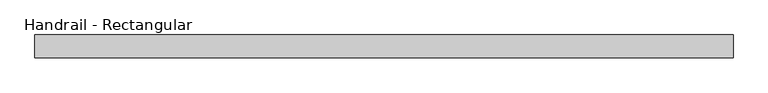
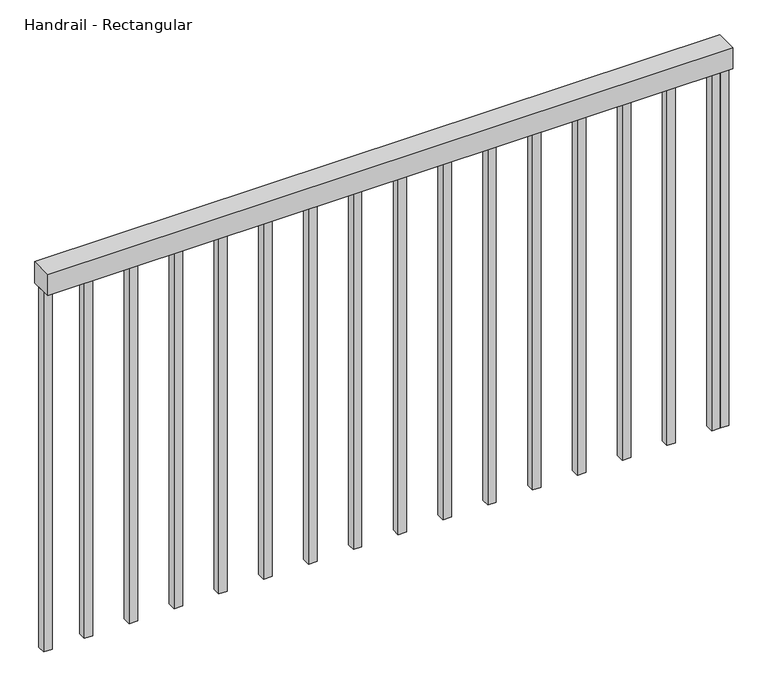
"""IFC4 building model written with IfcOpenShell, lengths in millimetres: railing geometry, Handrail - Rectangular."""

import ifcopenshell
import ifcopenshell.guid

model = None  # the IFC model being written
_history = None  # IfcOwnerHistory: only IFC2X3 demands one
_inside = {}  # id of a spatial element -> (the spatial element, [elements in it])
_under = {}  # id of a project, library or spatial element -> (it, [spatial elements below it])
_declared = {}  # id of a project -> (the project, [libraries it declares])
_typed = {}  # id of a type object -> (the type object, [elements of that type])
_made_of = {}  # id of a material, layer set ... -> (it, [elements and type objects made of it])


def new_model(schema):
    """Start an empty IFC model of exactly this schema.

    Asked for "IFC4X3", IfcOpenShell would pick the latest addendum, in which some entities
    have other attributes; the version numbers below select the first issue.
    IFC2X3 requires an IfcOwnerHistory on every rooted entity: one is made here for all.
    """
    global model, _history
    if schema == "IFC4X3":
        model = ifcopenshell.file(schema_version=(4, 3, 0, 0))
    else:
        model = ifcopenshell.file(schema=schema)
    _inside.clear()
    _under.clear()
    _declared.clear()
    _typed.clear()
    _made_of.clear()
    _history = None
    if model.schema == "IFC2X3":
        org = make("IfcOrganization", Name="unknown")
        user = make(
            "IfcPersonAndOrganization",
            ThePerson=make("IfcPerson", FamilyName="unknown"),
            TheOrganization=org,
        )
        app = make(
            "IfcApplication",
            ApplicationDeveloper=org,
            Version="unknown",
            ApplicationFullName="unknown",
            ApplicationIdentifier="unknown",
        )
        _history = make(
            "IfcOwnerHistory",
            OwningUser=user,
            OwningApplication=app,
            ChangeAction="ADDED",
            CreationDate=0,
        )
    return model


def make(cls, **values):
    """One entity of the class cls with the attributes given. An attribute that is None is left unset."""
    return model.create_entity(
        cls, **{name: value for name, value in values.items() if value is not None}
    )


def rooted(cls, **values):
    """An entity with a GlobalId (a new one), such as an element, a storey or a relation."""
    return make(cls, GlobalId=ifcopenshell.guid.new(), OwnerHistory=_history, **values)


def si_unit(unit_type, name, prefix=None):
    """IfcSIUnit, for example si_unit("LENGTHUNIT", "METRE", prefix="MILLI")."""
    return make("IfcSIUnit", UnitType=unit_type, Prefix=prefix, Name=name)


def assignment(units):
    """IfcUnitAssignment: the units of a project."""
    return None if units is None else make("IfcUnitAssignment", Units=units)


def point(xyz):
    """IfcCartesianPoint."""
    return None if xyz is None else make("IfcCartesianPoint", Coordinates=xyz)


def direction(xyz):
    """IfcDirection."""
    return None if xyz is None else make("IfcDirection", DirectionRatios=xyz)


def frame(location, z_axis=None, x_axis=None):
    """IfcAxis2Placement3D, a coordinate frame: its origin and axes. An axis left out is left unset."""
    return make(
        "IfcAxis2Placement3D",
        Location=point(location),
        Axis=direction(z_axis),
        RefDirection=direction(x_axis),
    )


def origin():
    """The frame at (0, 0, 0) with its axes left unset."""
    return frame((0.0, 0.0, 0.0))


def origin_with_axes():
    """The frame at (0, 0, 0) with the z axis (0, 0, 1) and the x axis (1, 0, 0) written out."""
    return frame((0.0, 0.0, 0.0), z_axis=(0.0, 0.0, 1.0), x_axis=(1.0, 0.0, 0.0))


def place(relative_to, where):
    """IfcLocalPlacement: puts the frame where relative to a parent placement (None: the world)."""
    return make(
        "IfcLocalPlacement", PlacementRelTo=relative_to, RelativePlacement=where
    )


def context(
    kind, dimensions, precision=None, world=None, true_north=None, identifier=None
):
    """IfcGeometricRepresentationContext, for example the 3D "Model" context."""
    return make(
        "IfcGeometricRepresentationContext",
        ContextIdentifier=identifier,
        ContextType=kind,
        CoordinateSpaceDimension=dimensions,
        Precision=precision,
        WorldCoordinateSystem=world,
        TrueNorth=true_north,
    )


def project(units=None, contexts=None):
    """IfcProject with its units and contexts."""
    return rooted(
        "IfcProject",
        Name="project",
        RepresentationContexts=contexts,
        UnitsInContext=assignment(units),
    )


def spatial(cls, under=None, at=None, **own):
    """A site, building, storey or space (cls), placed at a placement, below another one or the project."""
    s = rooted(cls, ObjectPlacement=at, **own)
    if under is not None:
        _under.setdefault(under.id(), (under, []))[1].append(s)
    return s


def polyline(points):
    """IfcPolyline through the points."""
    return make("IfcPolyline", Points=[point(p) for p in points])


def outline(outer, holes=None, kind="AREA"):
    """IfcArbitraryClosedProfileDef: a profile drawn as a closed curve; with holes, ...WithVoids."""
    if holes is None:
        return make("IfcArbitraryClosedProfileDef", ProfileType=kind, OuterCurve=outer)
    return make(
        "IfcArbitraryProfileDefWithVoids",
        ProfileType=kind,
        OuterCurve=outer,
        InnerCurves=holes,
    )


def extrude(swept, where, along, depth):
    """IfcExtrudedAreaSolid: the profile swept, set in the frame where, extruded along a direction by depth."""
    return make(
        "IfcExtrudedAreaSolid",
        SweptArea=swept,
        Position=where,
        ExtrudedDirection=direction(along),
        Depth=depth,
    )


def shape(context_of_items, identifier, shape_type, items):
    """IfcShapeRepresentation: the items that make up one representation, for example the "Body"."""
    return make(
        "IfcShapeRepresentation",
        ContextOfItems=context_of_items,
        RepresentationIdentifier=identifier,
        RepresentationType=shape_type,
        Items=items,
    )


def source(mapping_origin, context_of_items, identifier, shape_type, items):
    """IfcRepresentationMap: a shape defined once, which mapped items show again and again."""
    return make(
        "IfcRepresentationMap",
        MappingOrigin=mapping_origin,
        MappedRepresentation=shape(context_of_items, identifier, shape_type, items),
    )


def transform(
    local_origin,
    x_axis=None,
    y_axis=None,
    z_axis=None,
    scale=None,
    scale2=None,
    scale3=None,
    uniform=True,
):
    """IfcCartesianTransformationOperator3D, or its non-uniform kind. x_axis, y_axis, z_axis: its Axis1, 2, 3."""
    if uniform:
        return make(
            "IfcCartesianTransformationOperator3D",
            Axis1=direction(x_axis),
            Axis2=direction(y_axis),
            LocalOrigin=point(local_origin),
            Scale=scale,
            Axis3=direction(z_axis),
        )
    return make(
        "IfcCartesianTransformationOperator3DnonUniform",
        Axis1=direction(x_axis),
        Axis2=direction(y_axis),
        LocalOrigin=point(local_origin),
        Scale=scale,
        Axis3=direction(z_axis),
        Scale2=scale2,
        Scale3=scale3,
    )


def mapped(mapping_source, mapping_target):
    """IfcMappedItem: shows the shape of a source again, moved by a transform."""
    return make(
        "IfcMappedItem", MappingSource=mapping_source, MappingTarget=mapping_target
    )


def made_of(thing, what):
    """Note that an element or type object is made of a material, layer set ...; save() writes the relation."""
    if what is not None:
        _made_of.setdefault(what.id(), (what, []))[1].append(thing)
    return thing


def element(
    cls,
    number,
    at=None,
    inside=None,
    cuts=None,
    type_object=None,
    material=None,
    context=None,
    identifier="Body",
    shape_type=None,
    held_by="IfcProductDefinitionShape",
    body=None,
    shapes=None,
    **own,
):
    """One element of the class cls, such as IfcWall. Its Tag is "e" and its number.

    at: its placement. inside: the storey or other place that contains it. cuts: it is an
    opening in that element (IfcRelVoidsElement). A single representation is given by context,
    identifier, shape_type and body (its items); several are given by shapes. held_by: the class
    of the entity that holds the representations. save() writes the other relations.
    """
    e = rooted(cls, Tag="e%d" % number, ObjectPlacement=at, **own)
    if body is not None:
        shapes = [shape(context, identifier, shape_type, body)]
    if shapes is not None:
        e.Representation = make(held_by, Representations=shapes)
    if inside is not None:
        _inside.setdefault(inside.id(), (inside, []))[1].append(e)
    if cuts is not None:
        rooted(
            "IfcRelVoidsElement", RelatingBuildingElement=cuts, RelatedOpeningElement=e
        )
    if type_object is not None:
        _typed.setdefault(type_object.id(), (type_object, []))[1].append(e)
    return made_of(e, material)


def aggregate(whole, parts):
    """IfcRelAggregates: a whole, such as a stair, and the parts it consists of."""
    return rooted("IfcRelAggregates", RelatingObject=whole, RelatedObjects=parts)


def save(model, path):
    """Write the relations noted so far, then the file.

    IfcRelAggregates (storeys below a building ...), IfcRelContainedInSpatialStructure (elements
    in a storey), IfcRelDefinesByType, IfcRelAssociatesMaterial and IfcRelDeclares: one each for
    every whole, place, type object, material and project.
    """
    for whole, parts in _under.values():
        aggregate(whole, parts)
    for where, things in _inside.values():
        rooted(
            "IfcRelContainedInSpatialStructure",
            RelatedElements=things,
            RelatingStructure=where,
        )
    for kind, things in _typed.values():
        rooted("IfcRelDefinesByType", RelatedObjects=things, RelatingType=kind)
    for what, things in _made_of.values():
        rooted("IfcRelAssociatesMaterial", RelatedObjects=things, RelatingMaterial=what)
    for by, libraries in _declared.values():
        rooted("IfcRelDeclares", RelatingContext=by, RelatedDefinitions=libraries)
    model.write(path)


def handrail_rectangular_a6075eb3(model_context):
    return source(origin(), model_context, "Body", "SweptSolid", [
        extrude(outline(polyline([(-9790.9198081, -1088.9264951), (-9790.9198081, -1038.1264951), (-8238.5198081, -1038.1264951), (-8238.5198081, -1088.9264951), (-9790.9198081, -1088.9264951)])), frame((0.0, 0.0, 863.6), z_axis=(0.0, 0.0, 1.0), x_axis=(1.0, 0.0, 0.0)), (0.0, 0.0, 1.0), 50.8),
        extrude(outline(polyline([(-8276.4448081, -1073.0514951), (-8276.4448081, -1054.0014951), (-8257.3948081, -1054.0014951), (-8257.3948081, -1073.0514951), (-8276.4448081, -1073.0514951)])), origin_with_axes(), (0.0, 0.0, 1.0), 863.6),
        extrude(outline(polyline([(-8378.0448081, -1073.0514951), (-8378.0448081, -1054.0014951), (-8358.9948081, -1054.0014951), (-8358.9948081, -1073.0514951), (-8378.0448081, -1073.0514951)])), origin_with_axes(), (0.0, 0.0, 1.0), 863.6),
        extrude(outline(polyline([(-8479.6448081, -1073.0514951), (-8479.6448081, -1054.0014951), (-8460.5948081, -1054.0014951), (-8460.5948081, -1073.0514951), (-8479.6448081, -1073.0514951)])), origin_with_axes(), (0.0, 0.0, 1.0), 863.6),
        extrude(outline(polyline([(-8581.2448081, -1073.0514951), (-8581.2448081, -1054.0014951), (-8562.1948081, -1054.0014951), (-8562.1948081, -1073.0514951), (-8581.2448081, -1073.0514951)])), origin_with_axes(), (0.0, 0.0, 1.0), 863.6),
        extrude(outline(polyline([(-8682.8448081, -1073.0514951), (-8682.8448081, -1054.0014951), (-8663.7948081, -1054.0014951), (-8663.7948081, -1073.0514951), (-8682.8448081, -1073.0514951)])), origin_with_axes(), (0.0, 0.0, 1.0), 863.6),
        extrude(outline(polyline([(-8784.4448081, -1073.0514951), (-8784.4448081, -1054.0014951), (-8765.3948081, -1054.0014951), (-8765.3948081, -1073.0514951), (-8784.4448081, -1073.0514951)])), origin_with_axes(), (0.0, 0.0, 1.0), 863.6),
        extrude(outline(polyline([(-8886.0448081, -1073.0514951), (-8886.0448081, -1054.0014951), (-8866.9948081, -1054.0014951), (-8866.9948081, -1073.0514951), (-8886.0448081, -1073.0514951)])), origin_with_axes(), (0.0, 0.0, 1.0), 863.6),
        extrude(outline(polyline([(-8987.6448081, -1073.0514951), (-8987.6448081, -1054.0014951), (-8968.5948081, -1054.0014951), (-8968.5948081, -1073.0514951), (-8987.6448081, -1073.0514951)])), origin_with_axes(), (0.0, 0.0, 1.0), 863.6),
        extrude(outline(polyline([(-9089.2448081, -1073.0514951), (-9089.2448081, -1054.0014951), (-9070.1948081, -1054.0014951), (-9070.1948081, -1073.0514951), (-9089.2448081, -1073.0514951)])), origin_with_axes(), (0.0, 0.0, 1.0), 863.6),
        extrude(outline(polyline([(-9190.8448081, -1073.0514951), (-9190.8448081, -1054.0014951), (-9171.7948081, -1054.0014951), (-9171.7948081, -1073.0514951), (-9190.8448081, -1073.0514951)])), origin_with_axes(), (0.0, 0.0, 1.0), 863.6),
        extrude(outline(polyline([(-9292.4448081, -1073.0514951), (-9292.4448081, -1054.0014951), (-9273.3948081, -1054.0014951), (-9273.3948081, -1073.0514951), (-9292.4448081, -1073.0514951)])), origin_with_axes(), (0.0, 0.0, 1.0), 863.6),
        extrude(outline(polyline([(-9394.0448081, -1073.0514951), (-9394.0448081, -1054.0014951), (-9374.9948081, -1054.0014951), (-9374.9948081, -1073.0514951), (-9394.0448081, -1073.0514951)])), origin_with_axes(), (0.0, 0.0, 1.0), 863.6),
        extrude(outline(polyline([(-9495.6448081, -1073.0514951), (-9495.6448081, -1054.0014951), (-9476.5948081, -1054.0014951), (-9476.5948081, -1073.0514951), (-9495.6448081, -1073.0514951)])), origin_with_axes(), (0.0, 0.0, 1.0), 863.6),
        extrude(outline(polyline([(-9597.2448081, -1073.0514951), (-9597.2448081, -1054.0014951), (-9578.1948081, -1054.0014951), (-9578.1948081, -1073.0514951), (-9597.2448081, -1073.0514951)])), origin_with_axes(), (0.0, 0.0, 1.0), 863.6),
        extrude(outline(polyline([(-9698.8448081, -1073.0514951), (-9698.8448081, -1054.0014951), (-9679.7948081, -1054.0014951), (-9679.7948081, -1073.0514951), (-9698.8448081, -1073.0514951)])), origin_with_axes(), (0.0, 0.0, 1.0), 863.6),
        extrude(outline(polyline([(-8257.5698081, -1073.0514951), (-8257.5698081, -1054.0014951), (-8238.5198081, -1054.0014951), (-8238.5198081, -1073.0514951), (-8257.5698081, -1073.0514951)])), origin_with_axes(), (0.0, 0.0, 1.0), 863.6),
        extrude(outline(polyline([(-9790.9198081, -1073.0514951), (-9790.9198081, -1054.0014951), (-9771.8698081, -1054.0014951), (-9771.8698081, -1073.0514951), (-9790.9198081, -1073.0514951)])), origin_with_axes(), (0.0, 0.0, 1.0), 863.6),
    ])


if __name__ == "__main__":
    model = new_model("IFC4")
    model_context = context("Model", 3, world=origin())
    ifc_project = project(units=[si_unit("LENGTHUNIT", "METRE", prefix="MILLI")], contexts=[model_context])
    site = spatial("IfcSite", under=ifc_project)
    building = spatial("IfcBuilding", under=site)
    placement = place(None, origin())
    handrail_rectangular_shape = handrail_rectangular_a6075eb3(model_context)
    element("IfcRailing", 1, ObjectType="Handrail - Rectangular", at=placement, inside=building, context=model_context, shape_type="MappedRepresentation", body=[
        mapped(handrail_rectangular_shape, transform((0.0, 0.0, 0.0), x_axis=(1.0, 0.0, 0.0), y_axis=(0.0, 1.0, 0.0), z_axis=(0.0, 0.0, 1.0))),
    ])
    save(model, "model.ifc")
